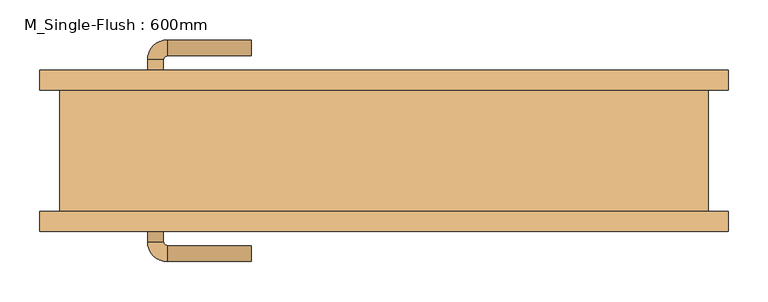
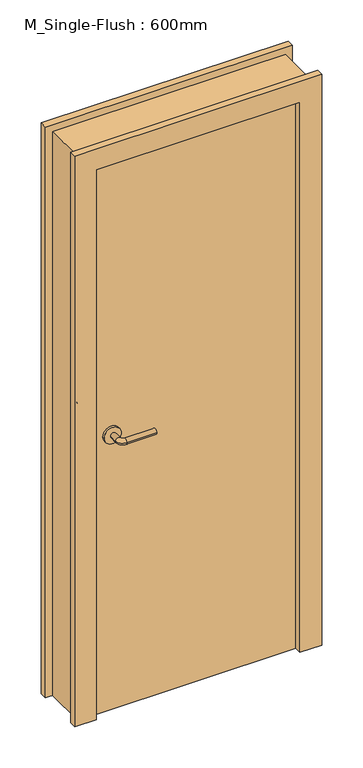
"""IFC4 building model written with IfcOpenShell, lengths in millimetres: door geometry, M_Single-Flush : 600mm."""

from ifc_helpers import new_model, si_unit, point, frame, frame_2d, origin, origin_with_axes, place, context, project, spatial, polyline, circle_curve, ellipse_curve, trimmed, segment, composite_curve, outline, extrude, source, transform, mapped, element, save
from ifc_brep_helpers import plane_surface, cylinder_surface, revolved_surface, advanced_brep


def m_single_flush_600mm_19d564e8(model_context):
    return source(origin(), model_context, "Body", "SolidModel", [
        advanced_brep(
        [(-298.1389046, 84.2, 1016.0), (-278.1389046, 84.2, 1016.0), (-298.1389046, 114.2, 1016.0), (-278.1389046, 114.2, 1016.0), (-273.1389046, 119.2, 1016.0), (-273.1389046, 139.2, 1016.0), (-168.1389046, 139.2, 1016.0), (-168.1389046, 119.2, 1016.0)],
        [
            (0, 1, circle_curve(frame((-288.1389046, 84.2, 1016.0), z_axis=(0.0, -1.0, 0.0), x_axis=(1.0, 0.0, 0.0)), 10.0)),
            (1, 0, circle_curve(frame((-288.1389046, 84.2, 1016.0), z_axis=(0.0, -1.0, 0.0), x_axis=(1.0, 0.0, 0.0)), 10.0)),
            (0, 2),
            (2, 3, circle_curve(frame((-288.1389046, 114.2, 1016.0), z_axis=(0.0, -1.0, 0.0), x_axis=(1.0, 0.0, 0.0)), 10.0)),
            (3, 1),
            (3, 2, circle_curve(frame((-288.1389046, 114.2, 1016.0), z_axis=(0.0, -1.0, 0.0), x_axis=(1.0, 0.0, 0.0)), 10.0)),
            (4, 3, circle_curve(frame((-273.1389046, 114.2, 1016.0), z_axis=(0.0, 0.0, 1.0), x_axis=(-1.0, 0.0, 0.0)), 5.0)),
            (2, 5, circle_curve(frame((-273.1389046, 114.2, 1016.0), z_axis=(0.0, 0.0, -1.0), x_axis=(-1.0, 0.0, 0.0)), 25.0)),
            (5, 4, circle_curve(frame((-273.1389046, 129.2, 1016.0), z_axis=(-1.0, 0.0, 0.0), x_axis=(0.0, -1.0, 0.0)), 10.0)),
            (4, 5, circle_curve(frame((-273.1389046, 129.2, 1016.0), z_axis=(-1.0, 0.0, 0.0), x_axis=(0.0, -1.0, 0.0)), 10.0)),
            (6, 7, circle_curve(frame((-168.1389046, 129.2, 1016.0), z_axis=(1.0, 0.0, 0.0), x_axis=(0.0, -1.0, 0.0)), 10.0)),
            (7, 6, circle_curve(frame((-168.1389046, 129.2, 1016.0), z_axis=(1.0, 0.0, 0.0), x_axis=(0.0, -1.0, 0.0)), 10.0)),
            (5, 6),
            (7, 4),
        ],
        [
            plane_surface(frame((-288.1389046, 84.2, 1016.0), z_axis=(0.0, -1.0, 0.0), x_axis=(0.0, 0.0, 1.0))),
            cylinder_surface(frame((-288.1389046, 84.2, 1016.0), z_axis=(0.0, -1.0, 0.0), x_axis=(1.0, 0.0, 0.0)), 10.0),
            revolved_surface(trimmed(ellipse_curve(frame((-288.1389046, 114.2, 1016.0), z_axis=(0.0, -1.0, 0.0), x_axis=(1.0, 0.0, 0.0)), 10.0, 10.0), [point((-298.1389046, 114.2, 1016.0))], [point((-278.1389046, 114.2, 1016.0))], True, "CARTESIAN"), (-273.1389046, 114.2, 1016.0), (0.0, 0.0, -1.0)),
            revolved_surface(trimmed(ellipse_curve(frame((-288.1389046, 114.2, 1016.0), z_axis=(0.0, -1.0, 0.0), x_axis=(1.0, 0.0, 0.0)), 10.0, 10.0), [point((-278.1389046, 114.2, 1016.0))], [point((-298.1389046, 114.2, 1016.0))], True, "CARTESIAN"), (-273.1389046, 114.2, 1016.0), (0.0, 0.0, -1.0)),
            plane_surface(frame((-168.1389046, 129.2, 1016.0), z_axis=(1.0, 0.0, 0.0), x_axis=(0.0, 0.0, 1.0))),
            cylinder_surface(frame((-273.1389046, 129.2, 1016.0), z_axis=(-1.0, 0.0, 0.0), x_axis=(0.0, -1.0, 0.0)), 10.0),
        ],
        [
            (0, [[1, 2]]),
            (1, [[-1, 3, 4, 5]]),
            (1, [[-2, -5, 6, -3]]),
            (2, [[7, -4, 8, 9]]),
            (3, [[-8, -6, -7, 10]]),
            (4, [[11, 12]]),
            (5, [[-9, 13, -12, 14]]),
            (5, [[-10, -14, -11, -13]]),
        ],
    ),
        extrude(outline(composite_curve([segment(trimmed(circle_curve(frame_2d((1016.0, -290.6389046)), 30.0), [point((1016.0, -320.6389046))], [point((1016.0, -260.6389046))], False, "CARTESIAN"), True, "CONTINUOUS"), segment(trimmed(circle_curve(frame_2d((1016.0, -290.6389046)), 30.0), [point((1016.0, -260.6389046))], [point((1016.0, -320.6389046))], False, "CARTESIAN"), True, "CONTINUOUS")], self_intersect=False)), frame((0.0, 76.2, 0.0), z_axis=(0.0, 1.0, 0.0), x_axis=(0.0, 0.0, 1.0)), (0.0, 0.0, 1.0), 8.0),
        advanced_brep(
        [(-298.1389046, -84.2, 1016.0), (-278.1389046, -84.2, 1016.0), (-278.1389046, -114.2, 1016.0), (-298.1389046, -114.2, 1016.0), (-273.1389046, -119.2, 1016.0), (-273.1389046, -139.2, 1016.0), (-168.1389046, -139.2, 1016.0), (-168.1389046, -119.2, 1016.0)],
        [
            (0, 1, circle_curve(frame((-288.1389046, -84.2, 1016.0), z_axis=(0.0, 1.0, 0.0), x_axis=(1.0, 0.0, 0.0)), 10.0)),
            (1, 0, circle_curve(frame((-288.1389046, -84.2, 1016.0), z_axis=(0.0, 1.0, 0.0), x_axis=(1.0, 0.0, 0.0)), 10.0)),
            (1, 2),
            (2, 3, circle_curve(frame((-288.1389046, -114.2, 1016.0), z_axis=(0.0, 1.0, 0.0), x_axis=(1.0, 0.0, 0.0)), 10.0)),
            (3, 0),
            (3, 2, circle_curve(frame((-288.1389046, -114.2, 1016.0), z_axis=(0.0, 1.0, 0.0), x_axis=(1.0, 0.0, 0.0)), 10.0)),
            (4, 5, circle_curve(frame((-273.1389046, -129.2, 1016.0), z_axis=(-1.0, 0.0, 0.0), x_axis=(0.0, 1.0, 0.0)), 10.0)),
            (5, 3, circle_curve(frame((-273.1389046, -114.2, 1016.0), z_axis=(0.0, 0.0, -1.0), x_axis=(-1.0, 0.0, 0.0)), 25.0)),
            (2, 4, circle_curve(frame((-273.1389046, -114.2, 1016.0), z_axis=(0.0, 0.0, 1.0), x_axis=(-1.0, 0.0, 0.0)), 5.0)),
            (5, 4, circle_curve(frame((-273.1389046, -129.2, 1016.0), z_axis=(-1.0, 0.0, 0.0), x_axis=(0.0, 1.0, 0.0)), 10.0)),
            (6, 7, circle_curve(frame((-168.1389046, -129.2, 1016.0), z_axis=(1.0, 0.0, 0.0), x_axis=(0.0, 1.0, 0.0)), 10.0)),
            (7, 6, circle_curve(frame((-168.1389046, -129.2, 1016.0), z_axis=(1.0, 0.0, 0.0), x_axis=(0.0, 1.0, 0.0)), 10.0)),
            (4, 7),
            (6, 5),
        ],
        [
            plane_surface(frame((-288.1389046, -84.2, 1016.0), z_axis=(0.0, 1.0, 0.0), x_axis=(0.0, 0.0, 1.0))),
            cylinder_surface(frame((-288.1389046, -84.2, 1016.0), z_axis=(0.0, 1.0, 0.0), x_axis=(1.0, 0.0, 0.0)), 10.0),
            revolved_surface(trimmed(ellipse_curve(frame((-288.1389046, -114.2, 1016.0), z_axis=(0.0, -1.0, 0.0), x_axis=(1.0, 0.0, 0.0)), 10.0, 10.0), [point((-298.1389046, -114.2, 1016.0))], [point((-278.1389046, -114.2, 1016.0))], True, "CARTESIAN"), (-273.1389046, -114.2, 1016.0), (0.0, 0.0, -1.0)),
            revolved_surface(trimmed(ellipse_curve(frame((-288.1389046, -114.2, 1016.0), z_axis=(0.0, -1.0, 0.0), x_axis=(1.0, 0.0, 0.0)), 10.0, 10.0), [point((-278.1389046, -114.2, 1016.0))], [point((-298.1389046, -114.2, 1016.0))], True, "CARTESIAN"), (-273.1389046, -114.2, 1016.0), (0.0, 0.0, -1.0)),
            plane_surface(frame((-168.1389046, -129.2, 1016.0), z_axis=(1.0, 0.0, 0.0), x_axis=(0.0, 0.0, 1.0))),
            cylinder_surface(frame((-273.1389046, -129.2, 1016.0), z_axis=(-1.0, 0.0, 0.0), x_axis=(0.0, 1.0, 0.0)), 10.0),
        ],
        [
            (0, [[1, 2]]),
            (1, [[3, 4, 5, -2]]),
            (1, [[-5, 6, -3, -1]]),
            (2, [[7, 8, -4, 9]]),
            (3, [[10, -9, -6, -8]]),
            (4, [[11, 12]]),
            (5, [[13, -11, 14, -7]]),
            (5, [[-14, -12, -13, -10]]),
        ],
    ),
        extrude(outline(composite_curve([segment(trimmed(circle_curve(frame_2d((1016.0, -290.6389046)), 30.0), [point((1016.0, -320.6389046))], [point((1016.0, -260.6389046))], False, "CARTESIAN"), True, "CONTINUOUS"), segment(trimmed(circle_curve(frame_2d((1016.0, -290.6389046)), 30.0), [point((1016.0, -260.6389046))], [point((1016.0, -320.6389046))], False, "CARTESIAN"), True, "CONTINUOUS")], self_intersect=False)), frame((0.0, -84.2, 0.0), z_axis=(0.0, 1.0, 0.0), x_axis=(0.0, 0.0, 1.0)), (0.0, 0.0, 1.0), 8.0),
        extrude(outline(polyline([(2108.0, -433.1482796), (0.0, -433.1482796), (0.0, -357.1482796), (2032.0, -357.1482796), (2032.0, 354.0517204), (0.0, 354.0517204), (0.0, 430.0517204), (2108.0, 430.0517204), (2108.0, -433.1482796)])), frame((0.0, -101.2, 0.0), z_axis=(0.0, 1.0, 0.0), x_axis=(0.0, 0.0, 1.0)), (0.0, 0.0, 1.0), 25.0),
        extrude(outline(polyline([(2108.0, 430.0517204), (2108.0, -433.1482796), (0.0, -433.1482796), (0.0, -357.1482796), (2032.0, -357.1482796), (2032.0, 354.0517204), (0.0, 354.0517204), (0.0, 430.0517204), (2108.0, 430.0517204)])), frame((0.0, 76.2, 0.0), z_axis=(0.0, 1.0, 0.0), x_axis=(0.0, 0.0, 1.0)), (0.0, 0.0, 1.0), 25.0),
        extrude(outline(polyline([(354.0517204, 76.2), (354.0517204, -76.2), (-357.1482796, -76.2), (-357.1482796, 76.2), (354.0517204, 76.2)])), origin_with_axes(), (0.0, 0.0, 1.0), 2032.0),
        extrude(outline(polyline([(0.0, 405.0517204), (2083.0, 405.0517204), (2083.0, -408.1482796), (0.0, -408.1482796), (0.0, -357.1482796), (2032.0, -357.1482796), (2032.0, 354.0517204), (0.0, 354.0517204), (0.0, 405.0517204)])), frame((0.0, -76.2, 0.0), z_axis=(0.0, 1.0, 0.0), x_axis=(0.0, 0.0, 1.0)), (0.0, 0.0, 1.0), 152.4),
    ])


if __name__ == "__main__":
    model = new_model("IFC4")
    model_context = context("Model", 3, world=origin())
    ifc_project = project(units=[si_unit("LENGTHUNIT", "METRE", prefix="MILLI")], contexts=[model_context])
    site = spatial("IfcSite", under=ifc_project)
    building = spatial("IfcBuilding", under=site)
    placement = place(None, origin())
    m_single_flush_600mm_shape = m_single_flush_600mm_19d564e8(model_context)
    element("IfcDoor", 1, ObjectType="M_Single-Flush : 600mm", at=placement, inside=building, context=model_context, shape_type="MappedRepresentation", body=[
        mapped(m_single_flush_600mm_shape, transform((0.0, 0.0, 0.0), x_axis=(1.0, 0.0, 0.0), y_axis=(0.0, 1.0, 0.0), z_axis=(0.0, 0.0, 1.0))),
    ])
    save(model, "model.ifc")
